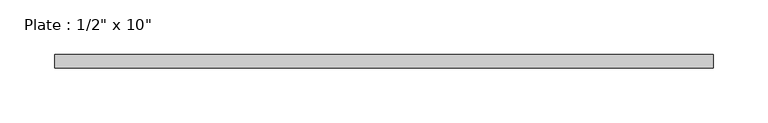
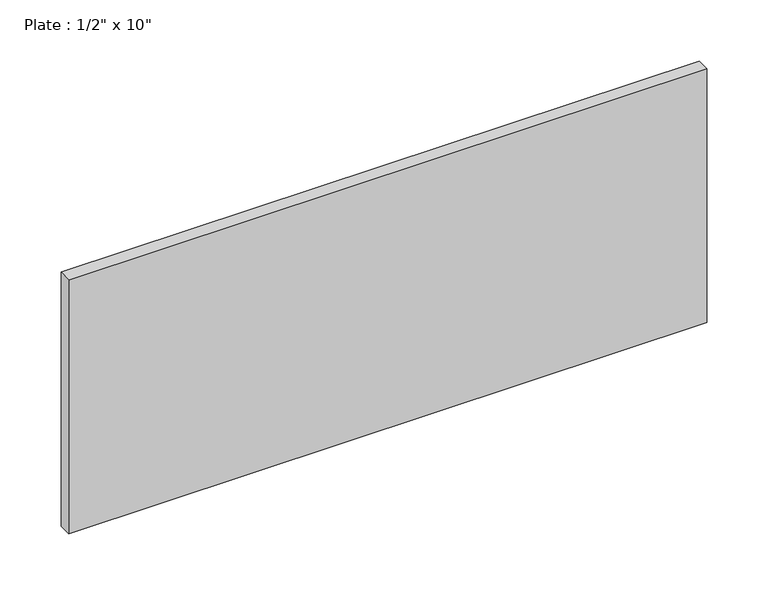
"""IFC4 building model written with IfcOpenShell, lengths in millimetres: beam geometry."""

import ifcopenshell
import ifcopenshell.guid

model = None  # the IFC model being written
_history = None  # IfcOwnerHistory: only IFC2X3 demands one
_inside = {}  # id of a spatial element -> (the spatial element, [elements in it])
_under = {}  # id of a project, library or spatial element -> (it, [spatial elements below it])
_declared = {}  # id of a project -> (the project, [libraries it declares])
_typed = {}  # id of a type object -> (the type object, [elements of that type])
_made_of = {}  # id of a material, layer set ... -> (it, [elements and type objects made of it])


def new_model(schema):
    """Start an empty IFC model of exactly this schema.

    Asked for "IFC4X3", IfcOpenShell would pick the latest addendum, in which some entities
    have other attributes; the version numbers below select the first issue.
    IFC2X3 requires an IfcOwnerHistory on every rooted entity: one is made here for all.
    """
    global model, _history
    if schema == "IFC4X3":
        model = ifcopenshell.file(schema_version=(4, 3, 0, 0))
    else:
        model = ifcopenshell.file(schema=schema)
    _inside.clear()
    _under.clear()
    _declared.clear()
    _typed.clear()
    _made_of.clear()
    _history = None
    if model.schema == "IFC2X3":
        org = make("IfcOrganization", Name="unknown")
        user = make(
            "IfcPersonAndOrganization",
            ThePerson=make("IfcPerson", FamilyName="unknown"),
            TheOrganization=org,
        )
        app = make(
            "IfcApplication",
            ApplicationDeveloper=org,
            Version="unknown",
            ApplicationFullName="unknown",
            ApplicationIdentifier="unknown",
        )
        _history = make(
            "IfcOwnerHistory",
            OwningUser=user,
            OwningApplication=app,
            ChangeAction="ADDED",
            CreationDate=0,
        )
    return model


def make(cls, **values):
    """One entity of the class cls with the attributes given. An attribute that is None is left unset."""
    return model.create_entity(
        cls, **{name: value for name, value in values.items() if value is not None}
    )


def rooted(cls, **values):
    """An entity with a GlobalId (a new one), such as an element, a storey or a relation."""
    return make(cls, GlobalId=ifcopenshell.guid.new(), OwnerHistory=_history, **values)


def si_unit(unit_type, name, prefix=None):
    """IfcSIUnit, for example si_unit("LENGTHUNIT", "METRE", prefix="MILLI")."""
    return make("IfcSIUnit", UnitType=unit_type, Prefix=prefix, Name=name)


def assignment(units):
    """IfcUnitAssignment: the units of a project."""
    return None if units is None else make("IfcUnitAssignment", Units=units)


def point(xyz):
    """IfcCartesianPoint."""
    return None if xyz is None else make("IfcCartesianPoint", Coordinates=xyz)


def direction(xyz):
    """IfcDirection."""
    return None if xyz is None else make("IfcDirection", DirectionRatios=xyz)


def frame(location, z_axis=None, x_axis=None):
    """IfcAxis2Placement3D, a coordinate frame: its origin and axes. An axis left out is left unset."""
    return make(
        "IfcAxis2Placement3D",
        Location=point(location),
        Axis=direction(z_axis),
        RefDirection=direction(x_axis),
    )


def origin():
    """The frame at (0, 0, 0) with its axes left unset."""
    return frame((0.0, 0.0, 0.0))


def place(relative_to, where):
    """IfcLocalPlacement: puts the frame where relative to a parent placement (None: the world)."""
    return make(
        "IfcLocalPlacement", PlacementRelTo=relative_to, RelativePlacement=where
    )


def context(
    kind, dimensions, precision=None, world=None, true_north=None, identifier=None
):
    """IfcGeometricRepresentationContext, for example the 3D "Model" context."""
    return make(
        "IfcGeometricRepresentationContext",
        ContextIdentifier=identifier,
        ContextType=kind,
        CoordinateSpaceDimension=dimensions,
        Precision=precision,
        WorldCoordinateSystem=world,
        TrueNorth=true_north,
    )


def project(units=None, contexts=None):
    """IfcProject with its units and contexts."""
    return rooted(
        "IfcProject",
        Name="project",
        RepresentationContexts=contexts,
        UnitsInContext=assignment(units),
    )


def spatial(cls, under=None, at=None, **own):
    """A site, building, storey or space (cls), placed at a placement, below another one or the project."""
    s = rooted(cls, ObjectPlacement=at, **own)
    if under is not None:
        _under.setdefault(under.id(), (under, []))[1].append(s)
    return s


def polyline(points):
    """IfcPolyline through the points."""
    return make("IfcPolyline", Points=[point(p) for p in points])


def outline(outer, holes=None, kind="AREA"):
    """IfcArbitraryClosedProfileDef: a profile drawn as a closed curve; with holes, ...WithVoids."""
    if holes is None:
        return make("IfcArbitraryClosedProfileDef", ProfileType=kind, OuterCurve=outer)
    return make(
        "IfcArbitraryProfileDefWithVoids",
        ProfileType=kind,
        OuterCurve=outer,
        InnerCurves=holes,
    )


def extrude(swept, where, along, depth):
    """IfcExtrudedAreaSolid: the profile swept, set in the frame where, extruded along a direction by depth."""
    return make(
        "IfcExtrudedAreaSolid",
        SweptArea=swept,
        Position=where,
        ExtrudedDirection=direction(along),
        Depth=depth,
    )


def shape(context_of_items, identifier, shape_type, items):
    """IfcShapeRepresentation: the items that make up one representation, for example the "Body"."""
    return make(
        "IfcShapeRepresentation",
        ContextOfItems=context_of_items,
        RepresentationIdentifier=identifier,
        RepresentationType=shape_type,
        Items=items,
    )


def source(mapping_origin, context_of_items, identifier, shape_type, items):
    """IfcRepresentationMap: a shape defined once, which mapped items show again and again."""
    return make(
        "IfcRepresentationMap",
        MappingOrigin=mapping_origin,
        MappedRepresentation=shape(context_of_items, identifier, shape_type, items),
    )


def transform(
    local_origin,
    x_axis=None,
    y_axis=None,
    z_axis=None,
    scale=None,
    scale2=None,
    scale3=None,
    uniform=True,
):
    """IfcCartesianTransformationOperator3D, or its non-uniform kind. x_axis, y_axis, z_axis: its Axis1, 2, 3."""
    if uniform:
        return make(
            "IfcCartesianTransformationOperator3D",
            Axis1=direction(x_axis),
            Axis2=direction(y_axis),
            LocalOrigin=point(local_origin),
            Scale=scale,
            Axis3=direction(z_axis),
        )
    return make(
        "IfcCartesianTransformationOperator3DnonUniform",
        Axis1=direction(x_axis),
        Axis2=direction(y_axis),
        LocalOrigin=point(local_origin),
        Scale=scale,
        Axis3=direction(z_axis),
        Scale2=scale2,
        Scale3=scale3,
    )


def mapped(mapping_source, mapping_target):
    """IfcMappedItem: shows the shape of a source again, moved by a transform."""
    return make(
        "IfcMappedItem", MappingSource=mapping_source, MappingTarget=mapping_target
    )


def made_of(thing, what):
    """Note that an element or type object is made of a material, layer set ...; save() writes the relation."""
    if what is not None:
        _made_of.setdefault(what.id(), (what, []))[1].append(thing)
    return thing


def element(
    cls,
    number,
    at=None,
    inside=None,
    cuts=None,
    type_object=None,
    material=None,
    context=None,
    identifier="Body",
    shape_type=None,
    held_by="IfcProductDefinitionShape",
    body=None,
    shapes=None,
    **own,
):
    """One element of the class cls, such as IfcWall. Its Tag is "e" and its number.

    at: its placement. inside: the storey or other place that contains it. cuts: it is an
    opening in that element (IfcRelVoidsElement). A single representation is given by context,
    identifier, shape_type and body (its items); several are given by shapes. held_by: the class
    of the entity that holds the representations. save() writes the other relations.
    """
    e = rooted(cls, Tag="e%d" % number, ObjectPlacement=at, **own)
    if body is not None:
        shapes = [shape(context, identifier, shape_type, body)]
    if shapes is not None:
        e.Representation = make(held_by, Representations=shapes)
    if inside is not None:
        _inside.setdefault(inside.id(), (inside, []))[1].append(e)
    if cuts is not None:
        rooted(
            "IfcRelVoidsElement", RelatingBuildingElement=cuts, RelatedOpeningElement=e
        )
    if type_object is not None:
        _typed.setdefault(type_object.id(), (type_object, []))[1].append(e)
    return made_of(e, material)


def aggregate(whole, parts):
    """IfcRelAggregates: a whole, such as a stair, and the parts it consists of."""
    return rooted("IfcRelAggregates", RelatingObject=whole, RelatedObjects=parts)


def save(model, path):
    """Write the relations noted so far, then the file.

    IfcRelAggregates (storeys below a building ...), IfcRelContainedInSpatialStructure (elements
    in a storey), IfcRelDefinesByType, IfcRelAssociatesMaterial and IfcRelDeclares: one each for
    every whole, place, type object, material and project.
    """
    for whole, parts in _under.values():
        aggregate(whole, parts)
    for where, things in _inside.values():
        rooted(
            "IfcRelContainedInSpatialStructure",
            RelatedElements=things,
            RelatingStructure=where,
        )
    for kind, things in _typed.values():
        rooted("IfcRelDefinesByType", RelatedObjects=things, RelatingType=kind)
    for what, things in _made_of.values():
        rooted("IfcRelAssociatesMaterial", RelatedObjects=things, RelatingMaterial=what)
    for by, libraries in _declared.values():
        rooted("IfcRelDeclares", RelatingContext=by, RelatedDefinitions=libraries)
    model.write(path)


def beam_7650f821(model_context):
    return source(origin(), model_context, "Body", "SweptSolid", [
        extrude(outline(polyline([(301.625, -6.35), (-301.625, -6.35), (-301.625, 6.35), (301.625, 6.35), (301.625, -6.35)])), frame((0.0, 0.0, -127.0), z_axis=(0.0, 0.0, 1.0), x_axis=(1.0, 0.0, 0.0)), (0.0, 0.0, 1.0), 254.0),
    ])


if __name__ == "__main__":
    model = new_model("IFC4")
    model_context = context("Model", 3, world=origin())
    ifc_project = project(units=[si_unit("LENGTHUNIT", "METRE", prefix="MILLI")], contexts=[model_context])
    site = spatial("IfcSite", under=ifc_project)
    building = spatial("IfcBuilding", under=site)
    placement = place(None, origin())
    beam_shape = beam_7650f821(model_context)
    element("IfcBeam", 1, ObjectType="Plate : 1/2\" x 10\"", at=placement, inside=building, context=model_context, shape_type="MappedRepresentation", body=[
        mapped(beam_shape, transform((0.0, 0.0, 0.0), x_axis=(1.0, 0.0, 0.0), y_axis=(0.0, 1.0, 0.0), z_axis=(0.0, 0.0, 1.0))),
    ])
    save(model, "model.ifc")
